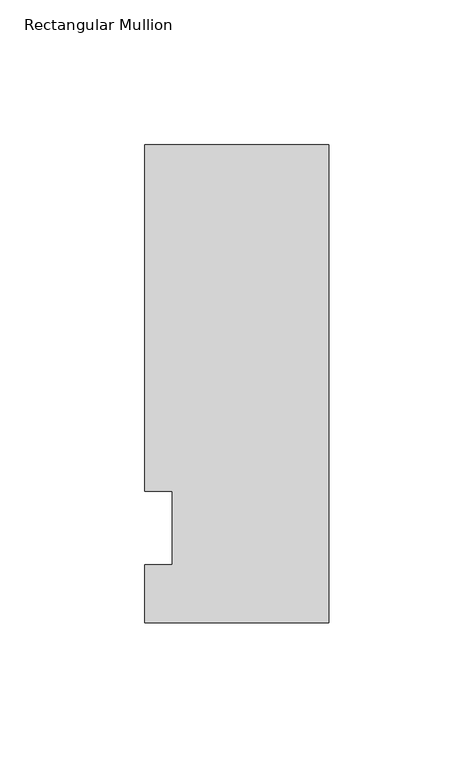
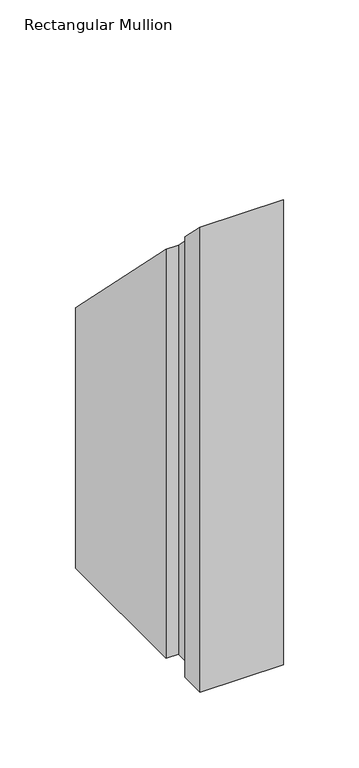
"""IFC4 building model written with IfcOpenShell, lengths in millimetres: member geometry, Rectangular Mullion."""

import ifcopenshell
import ifcopenshell.guid

model = None  # the IFC model being written
_history = None  # IfcOwnerHistory: only IFC2X3 demands one
_inside = {}  # id of a spatial element -> (the spatial element, [elements in it])
_under = {}  # id of a project, library or spatial element -> (it, [spatial elements below it])
_declared = {}  # id of a project -> (the project, [libraries it declares])
_typed = {}  # id of a type object -> (the type object, [elements of that type])
_made_of = {}  # id of a material, layer set ... -> (it, [elements and type objects made of it])


def new_model(schema):
    """Start an empty IFC model of exactly this schema.

    Asked for "IFC4X3", IfcOpenShell would pick the latest addendum, in which some entities
    have other attributes; the version numbers below select the first issue.
    IFC2X3 requires an IfcOwnerHistory on every rooted entity: one is made here for all.
    """
    global model, _history
    if schema == "IFC4X3":
        model = ifcopenshell.file(schema_version=(4, 3, 0, 0))
    else:
        model = ifcopenshell.file(schema=schema)
    _inside.clear()
    _under.clear()
    _declared.clear()
    _typed.clear()
    _made_of.clear()
    _history = None
    if model.schema == "IFC2X3":
        org = make("IfcOrganization", Name="unknown")
        user = make(
            "IfcPersonAndOrganization",
            ThePerson=make("IfcPerson", FamilyName="unknown"),
            TheOrganization=org,
        )
        app = make(
            "IfcApplication",
            ApplicationDeveloper=org,
            Version="unknown",
            ApplicationFullName="unknown",
            ApplicationIdentifier="unknown",
        )
        _history = make(
            "IfcOwnerHistory",
            OwningUser=user,
            OwningApplication=app,
            ChangeAction="ADDED",
            CreationDate=0,
        )
    return model


def make(cls, **values):
    """One entity of the class cls with the attributes given. An attribute that is None is left unset."""
    return model.create_entity(
        cls, **{name: value for name, value in values.items() if value is not None}
    )


def rooted(cls, **values):
    """An entity with a GlobalId (a new one), such as an element, a storey or a relation."""
    return make(cls, GlobalId=ifcopenshell.guid.new(), OwnerHistory=_history, **values)


def si_unit(unit_type, name, prefix=None):
    """IfcSIUnit, for example si_unit("LENGTHUNIT", "METRE", prefix="MILLI")."""
    return make("IfcSIUnit", UnitType=unit_type, Prefix=prefix, Name=name)


def assignment(units):
    """IfcUnitAssignment: the units of a project."""
    return None if units is None else make("IfcUnitAssignment", Units=units)


def point(xyz):
    """IfcCartesianPoint."""
    return None if xyz is None else make("IfcCartesianPoint", Coordinates=xyz)


def direction(xyz):
    """IfcDirection."""
    return None if xyz is None else make("IfcDirection", DirectionRatios=xyz)


def frame(location, z_axis=None, x_axis=None):
    """IfcAxis2Placement3D, a coordinate frame: its origin and axes. An axis left out is left unset."""
    return make(
        "IfcAxis2Placement3D",
        Location=point(location),
        Axis=direction(z_axis),
        RefDirection=direction(x_axis),
    )


def origin():
    """The frame at (0, 0, 0) with its axes left unset."""
    return frame((0.0, 0.0, 0.0))


def place(relative_to, where):
    """IfcLocalPlacement: puts the frame where relative to a parent placement (None: the world)."""
    return make(
        "IfcLocalPlacement", PlacementRelTo=relative_to, RelativePlacement=where
    )


def context(
    kind, dimensions, precision=None, world=None, true_north=None, identifier=None
):
    """IfcGeometricRepresentationContext, for example the 3D "Model" context."""
    return make(
        "IfcGeometricRepresentationContext",
        ContextIdentifier=identifier,
        ContextType=kind,
        CoordinateSpaceDimension=dimensions,
        Precision=precision,
        WorldCoordinateSystem=world,
        TrueNorth=true_north,
    )


def project(units=None, contexts=None):
    """IfcProject with its units and contexts."""
    return rooted(
        "IfcProject",
        Name="project",
        RepresentationContexts=contexts,
        UnitsInContext=assignment(units),
    )


def spatial(cls, under=None, at=None, **own):
    """A site, building, storey or space (cls), placed at a placement, below another one or the project."""
    s = rooted(cls, ObjectPlacement=at, **own)
    if under is not None:
        _under.setdefault(under.id(), (under, []))[1].append(s)
    return s


def faces_of(points, faces, orient=None, outer=None):
    """IfcFace entities. A face is a list of loops; a loop is a list of indices into points, from 0.

    orient and outer hold one flag for each loop. By default every Orientation is true, the
    first loop of a face is its IfcFaceOuterBound and the others are IfcFaceBound.
    """
    made = []
    for i, loops in enumerate(faces):
        bounds = []
        for j, loop in enumerate(loops):
            is_outer = j == 0 if outer is None else outer[i][j]
            bounds.append(
                make(
                    "IfcFaceOuterBound" if is_outer else "IfcFaceBound",
                    Bound=make("IfcPolyLoop", Polygon=[points[k] for k in loop]),
                    Orientation=True if orient is None else orient[i][j],
                )
            )
        made.append(make("IfcFace", Bounds=bounds))
    return made


def faceted_brep(points, faces, orient=None, outer=None, voids=None):
    """IfcFacetedBrep: a solid bounded by flat faces; with voids (closed shells), ...WithVoids."""
    shared = [point(p) for p in points]
    hull = make("IfcClosedShell", CfsFaces=faces_of(shared, faces, orient, outer))
    if voids is None:
        return make("IfcFacetedBrep", Outer=hull)
    return make(
        "IfcFacetedBrepWithVoids",
        Outer=hull,
        Voids=[
            make(cls, CfsFaces=faces_of(shared, fs, o, b)) for cls, fs, o, b in voids
        ],
    )


def shape(context_of_items, identifier, shape_type, items):
    """IfcShapeRepresentation: the items that make up one representation, for example the "Body"."""
    return make(
        "IfcShapeRepresentation",
        ContextOfItems=context_of_items,
        RepresentationIdentifier=identifier,
        RepresentationType=shape_type,
        Items=items,
    )


def source(mapping_origin, context_of_items, identifier, shape_type, items):
    """IfcRepresentationMap: a shape defined once, which mapped items show again and again."""
    return make(
        "IfcRepresentationMap",
        MappingOrigin=mapping_origin,
        MappedRepresentation=shape(context_of_items, identifier, shape_type, items),
    )


def transform(
    local_origin,
    x_axis=None,
    y_axis=None,
    z_axis=None,
    scale=None,
    scale2=None,
    scale3=None,
    uniform=True,
):
    """IfcCartesianTransformationOperator3D, or its non-uniform kind. x_axis, y_axis, z_axis: its Axis1, 2, 3."""
    if uniform:
        return make(
            "IfcCartesianTransformationOperator3D",
            Axis1=direction(x_axis),
            Axis2=direction(y_axis),
            LocalOrigin=point(local_origin),
            Scale=scale,
            Axis3=direction(z_axis),
        )
    return make(
        "IfcCartesianTransformationOperator3DnonUniform",
        Axis1=direction(x_axis),
        Axis2=direction(y_axis),
        LocalOrigin=point(local_origin),
        Scale=scale,
        Axis3=direction(z_axis),
        Scale2=scale2,
        Scale3=scale3,
    )


def mapped(mapping_source, mapping_target):
    """IfcMappedItem: shows the shape of a source again, moved by a transform."""
    return make(
        "IfcMappedItem", MappingSource=mapping_source, MappingTarget=mapping_target
    )


def made_of(thing, what):
    """Note that an element or type object is made of a material, layer set ...; save() writes the relation."""
    if what is not None:
        _made_of.setdefault(what.id(), (what, []))[1].append(thing)
    return thing


def element(
    cls,
    number,
    at=None,
    inside=None,
    cuts=None,
    type_object=None,
    material=None,
    context=None,
    identifier="Body",
    shape_type=None,
    held_by="IfcProductDefinitionShape",
    body=None,
    shapes=None,
    **own,
):
    """One element of the class cls, such as IfcWall. Its Tag is "e" and its number.

    at: its placement. inside: the storey or other place that contains it. cuts: it is an
    opening in that element (IfcRelVoidsElement). A single representation is given by context,
    identifier, shape_type and body (its items); several are given by shapes. held_by: the class
    of the entity that holds the representations. save() writes the other relations.
    """
    e = rooted(cls, Tag="e%d" % number, ObjectPlacement=at, **own)
    if body is not None:
        shapes = [shape(context, identifier, shape_type, body)]
    if shapes is not None:
        e.Representation = make(held_by, Representations=shapes)
    if inside is not None:
        _inside.setdefault(inside.id(), (inside, []))[1].append(e)
    if cuts is not None:
        rooted(
            "IfcRelVoidsElement", RelatingBuildingElement=cuts, RelatedOpeningElement=e
        )
    if type_object is not None:
        _typed.setdefault(type_object.id(), (type_object, []))[1].append(e)
    return made_of(e, material)


def aggregate(whole, parts):
    """IfcRelAggregates: a whole, such as a stair, and the parts it consists of."""
    return rooted("IfcRelAggregates", RelatingObject=whole, RelatedObjects=parts)


def save(model, path):
    """Write the relations noted so far, then the file.

    IfcRelAggregates (storeys below a building ...), IfcRelContainedInSpatialStructure (elements
    in a storey), IfcRelDefinesByType, IfcRelAssociatesMaterial and IfcRelDeclares: one each for
    every whole, place, type object, material and project.
    """
    for whole, parts in _under.values():
        aggregate(whole, parts)
    for where, things in _inside.values():
        rooted(
            "IfcRelContainedInSpatialStructure",
            RelatedElements=things,
            RelatingStructure=where,
        )
    for kind, things in _typed.values():
        rooted("IfcRelDefinesByType", RelatedObjects=things, RelatingType=kind)
    for what, things in _made_of.values():
        rooted("IfcRelAssociatesMaterial", RelatedObjects=things, RelatingMaterial=what)
    for by, libraries in _declared.values():
        rooted("IfcRelDeclares", RelatingContext=by, RelatedDefinitions=libraries)
    model.write(path)


def rectangular_mullion_e2b7f3ce(model_context):
    return source(origin(), model_context, "Body", "Brep", [
        faceted_brep([(0.0, -20.0421875, 20.0421875), (-63.5, -20.0421875, 20.0421875), (-63.5, -20.0421875, -355.6), (0.0, -20.0421875, -355.6), (0.0, 145.0578125, -145.0578125), (0.0, 145.0578125, -355.6), (-63.5, 145.0578125, -145.0578125), (-63.5, 145.0578125, -355.6), (-63.5, 25.4, -25.4), (-63.5, 25.4, -355.6), (-53.975, 25.4, -25.4), (-53.975, 25.4, -355.6), (-53.975, 0.0, 0.0), (-53.975, 0.0, -355.6), (-63.5, 0.0, 0.0), (-63.5, 0.0, -355.6)], [[[0, 1, 2, 3]], [[4, 0, 3, 5]], [[6, 4, 5, 7]], [[8, 6, 7, 9]], [[10, 8, 9, 11]], [[12, 10, 11, 13]], [[14, 12, 13, 15]], [[1, 14, 15, 2]], [[1, 0, 4, 6, 8, 10, 12, 14]], [[2, 15, 13, 11, 9, 7, 5, 3]]]),
    ])


if __name__ == "__main__":
    model = new_model("IFC4")
    model_context = context("Model", 3, world=origin())
    ifc_project = project(units=[si_unit("LENGTHUNIT", "METRE", prefix="MILLI")], contexts=[model_context])
    site = spatial("IfcSite", under=ifc_project)
    building = spatial("IfcBuilding", under=site)
    placement = place(None, origin())
    rectangular_mullion_shape = rectangular_mullion_e2b7f3ce(model_context)
    element("IfcMember", 1, ObjectType="Rectangular Mullion", at=placement, inside=building, context=model_context, shape_type="MappedRepresentation", body=[
        mapped(rectangular_mullion_shape, transform((0.0, 0.0, 0.0), x_axis=(1.0, 0.0, 0.0), y_axis=(0.0, 1.0, 0.0), z_axis=(0.0, 0.0, 1.0))),
    ])
    save(model, "model.ifc")
